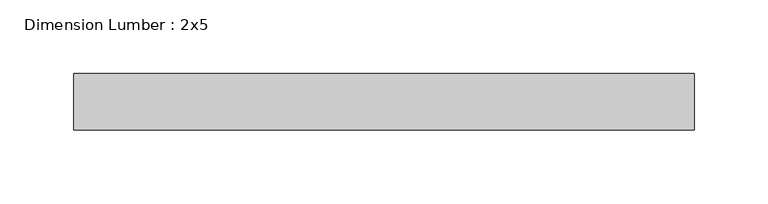
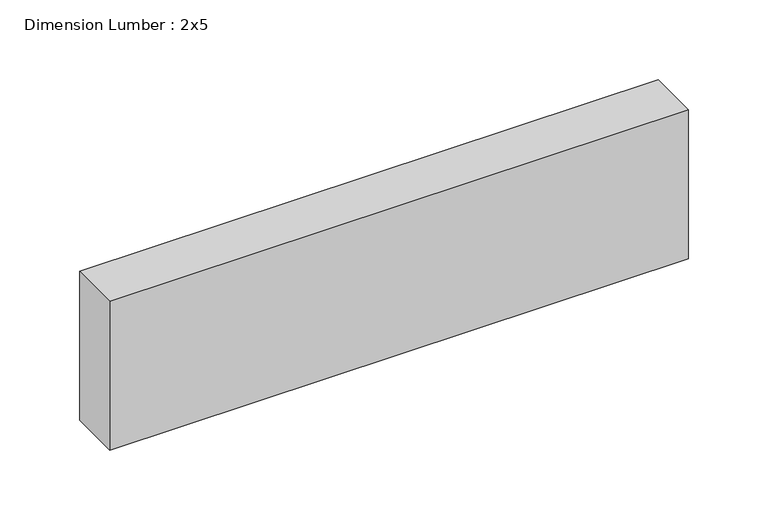
"""IFC4 building model written with IfcOpenShell, lengths in millimetres: beam geometry, Dimension Lumber : 2x5."""

from ifc_helpers import new_model, si_unit, frame, origin, place, context, project, spatial, polyline, outline, extrude, source, transform, mapped, element, save


def dimension_lumber_2x5_7c8298c3(model_context):
    return source(origin(), model_context, "Body", "SweptSolid", [
        extrude(outline(polyline([(209.7741847, 19.05), (209.7741847, -19.05), (-209.7741847, -19.05), (-209.7741847, 19.05), (209.7741847, 19.05)])), frame((0.0, 0.0, -57.15), z_axis=(0.0, 0.0, 1.0), x_axis=(1.0, 0.0, 0.0)), (0.0, 0.0, 1.0), 114.3),
    ])


if __name__ == "__main__":
    model = new_model("IFC4")
    model_context = context("Model", 3, world=origin())
    ifc_project = project(units=[si_unit("LENGTHUNIT", "METRE", prefix="MILLI")], contexts=[model_context])
    site = spatial("IfcSite", under=ifc_project)
    building = spatial("IfcBuilding", under=site)
    placement = place(None, origin())
    dimension_lumber_2x5_shape = dimension_lumber_2x5_7c8298c3(model_context)
    element("IfcBeam", 1, ObjectType="Dimension Lumber : 2x5", at=placement, inside=building, context=model_context, shape_type="MappedRepresentation", body=[
        mapped(dimension_lumber_2x5_shape, transform((0.0, 0.0, 0.0), x_axis=(1.0, 0.0, 0.0), y_axis=(0.0, 1.0, 0.0), z_axis=(0.0, 0.0, 1.0))),
    ])
    save(model, "model.ifc")
